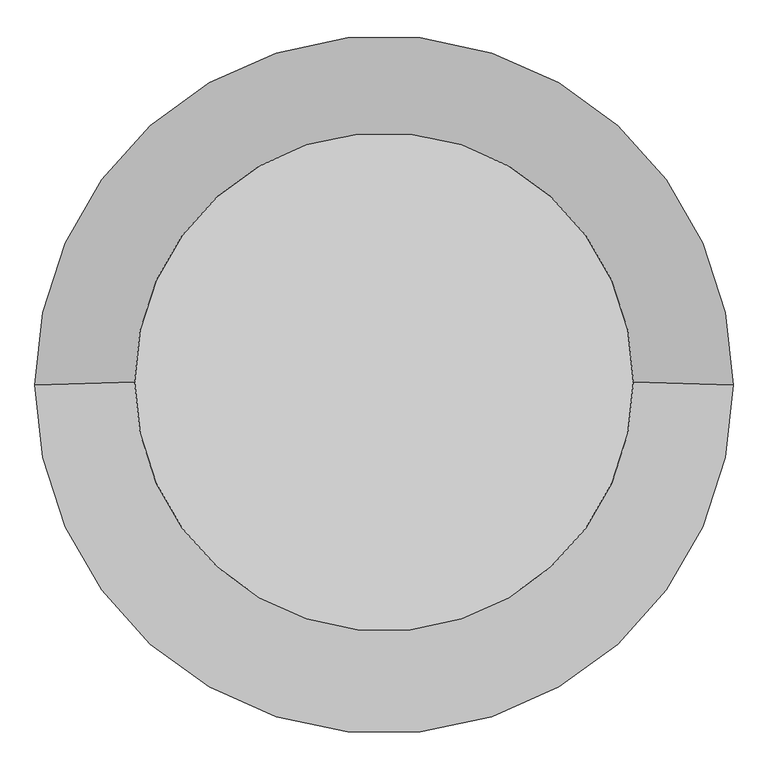
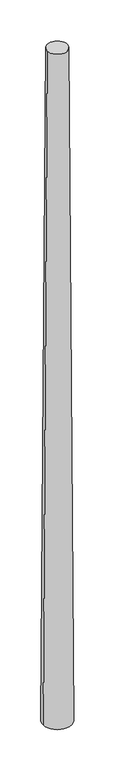
"""IFC4 building model written with IfcOpenShell, lengths in millimetres: proxy geometry."""

from ifc_helpers import new_model, si_unit, frame, origin, place, context, project, spatial, polyline, circle_curve, source, transform, mapped, element, save
from ifc_brep_helpers import plane_surface, revolved_surface, advanced_brep


def generic_models_c2a2035f(model_context):
    return source(origin(), model_context, "Body", "AdvancedBrep", [
        advanced_brep(
        [(-500.0, 0.0, 35000.0), (500.0, 0.0, 35000.0), (-700.0, 0.0, 0.0), (700.0, 0.0, 0.0)],
        [
            (0, 1, circle_curve(frame((0.0, 0.0, 35000.0), z_axis=(0.0, 0.0, 1.0), x_axis=(-1.0, 0.0, 0.0)), 500.0)),
            (1, 0, circle_curve(frame((0.0, 0.0, 35000.0), z_axis=(0.0, 0.0, 1.0), x_axis=(1.0, 0.0, 0.0)), 500.0)),
            (2, 3, circle_curve(frame((0.0, 0.0, 0.0), z_axis=(0.0, 0.0, -1.0), x_axis=(1.0, 0.0, 0.0)), 700.0)),
            (3, 2, circle_curve(frame((0.0, 0.0, 0.0), z_axis=(0.0, 0.0, -1.0), x_axis=(-1.0, 0.0, 0.0)), 700.0)),
            (3, 1),
            (0, 2),
        ],
        [
            plane_surface(frame((0.0, 0.0, 35000.0), z_axis=(0.0, 0.0, 1.0), x_axis=(0.0, -1.0, 0.0))),
            plane_surface(frame((0.0, 0.0, 0.0), z_axis=(0.0, 0.0, -1.0), x_axis=(0.0, -1.0, 0.0))),
            revolved_surface(polyline([(-500.0, 0.0, 35000.0), (-700.0, 0.0, 0.0)]), (0.0, 0.0, 122500.0), (0.0, 0.0, -1.0)),
            revolved_surface(polyline([(500.0, 0.0, 35000.0), (700.0, 0.0, 0.0)]), (0.0, 0.0, 122500.0), (0.0, 0.0, -1.0)),
        ],
        [
            (0, [[1, 2]]),
            (1, [[3, 4]]),
            (2, [[-4, 5, -1, 6]]),
            (3, [[-3, -6, -2, -5]]),
        ],
    ),
    ])


if __name__ == "__main__":
    model = new_model("IFC4")
    model_context = context("Model", 3, world=origin())
    ifc_project = project(units=[si_unit("LENGTHUNIT", "METRE", prefix="MILLI")], contexts=[model_context])
    site = spatial("IfcSite", under=ifc_project)
    building = spatial("IfcBuilding", under=site)
    placement = place(None, origin())
    generic_models_shape = generic_models_c2a2035f(model_context)
    element("IfcBuildingElementProxy", 1, Name="Generic Models", at=placement, inside=building, context=model_context, shape_type="MappedRepresentation", body=[
        mapped(generic_models_shape, transform((0.0, 0.0, 0.0), x_axis=(1.0, 0.0, 0.0), y_axis=(0.0, 1.0, 0.0), z_axis=(0.0, 0.0, 1.0))),
    ])
    save(model, "model.ifc")
